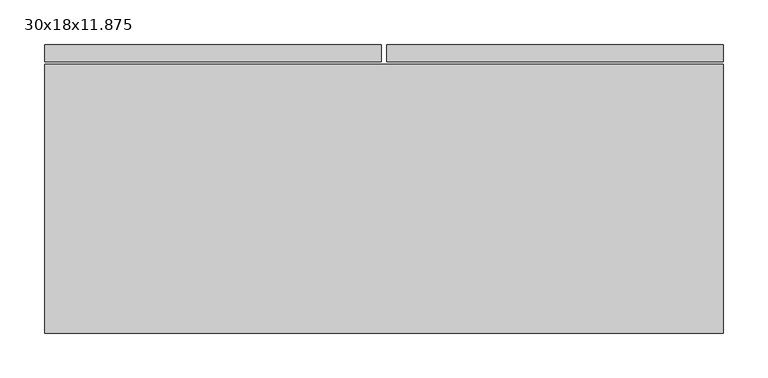
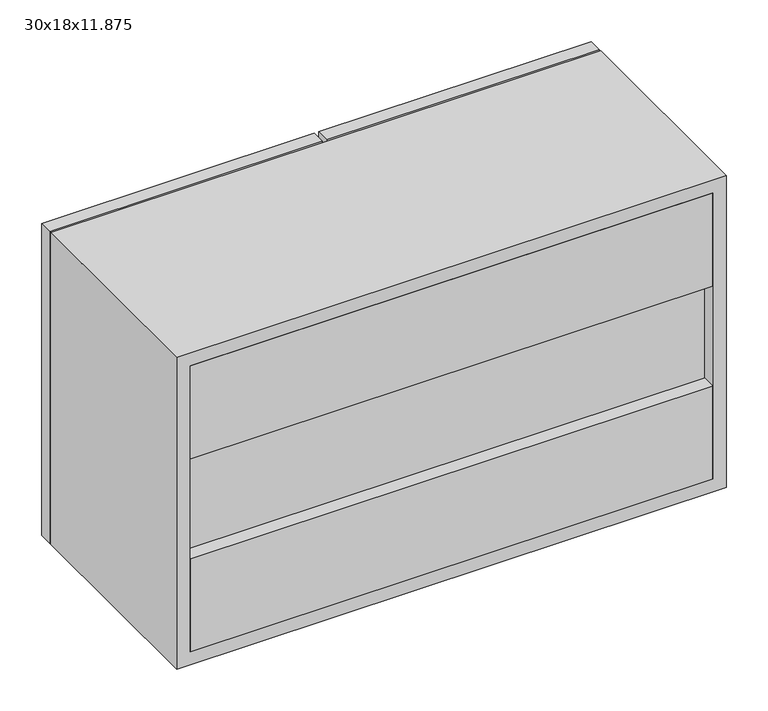
"""IFC4 building model written with IfcOpenShell, lengths in millimetres: furniture geometry, 30x18x11.875."""

from ifc_helpers import new_model, si_unit, frame, origin, place, context, project, spatial, polyline, outline, extrude, faceted_brep, source, transform, mapped, element, save


def furniture_30x18x11_875_c68409bd(model_context):
    return source(origin(), model_context, "Body", "SolidModel", [
        extrude(outline(polyline([(-332.1788372, 101.6), (391.7211628, 101.6), (391.7211628, 82.55), (-332.1788372, 82.55), (-332.1788372, 101.6)])), frame((0.0, 0.0, 1695.45), z_axis=(0.0, 0.0, 1.0), x_axis=(1.0, 0.0, 0.0)), (0.0, 0.0, 1.0), 136.525),
        extrude(outline(polyline([(-332.1788372, 101.6), (391.7211628, 101.6), (391.7211628, 82.55), (-332.1788372, 82.55), (-332.1788372, 101.6)])), frame((0.0, 0.0, 1978.025), z_axis=(0.0, 0.0, 1.0), x_axis=(1.0, 0.0, 0.0)), (0.0, 0.0, 1.0), 136.525),
        faceted_brep([(-351.2288372, 82.55, 2133.6), (-351.2288372, 82.55, 1676.4), (410.7711628, 82.55, 1676.4), (410.7711628, 82.55, 2133.6), (-332.1788372, 82.55, 2114.55), (391.7211628, 82.55, 2114.55), (391.7211628, 82.55, 1695.45), (-332.1788372, 82.55, 1695.45), (-351.2288372, 384.175, 2133.6), (-351.2288372, 384.175, 1676.4), (410.7711628, 384.175, 1676.4), (410.7711628, 384.175, 2133.6), (391.7211628, 101.6, 2114.55), (391.7211628, 101.6, 1695.45), (391.7211628, 384.175, 2114.55), (391.7211628, 384.175, 1695.45), (391.7211628, 107.95, 1695.45), (391.7211628, 107.95, 2114.55), (-332.1788372, 101.6, 1695.45), (-332.1788372, 384.175, 1695.45), (-332.1788372, 107.95, 1695.45), (-332.1788372, 101.6, 2114.55), (-332.1788372, 384.175, 2114.55), (-332.1788372, 107.95, 2114.55)], [[[0, 1, 2, 3], [4, 5, 6, 7]], [[1, 0, 8, 9]], [[2, 1, 9, 10]], [[3, 2, 10, 11]], [[6, 5, 12, 13]], [[14, 15, 16, 17]], [[7, 6, 13, 18]], [[15, 19, 20, 16]], [[4, 7, 18, 21]], [[19, 22, 23, 20]], [[8, 11, 10, 9], [22, 19, 15, 14]], [[12, 21, 18, 13]], [[23, 17, 16, 20]], [[0, 3, 11, 8]], [[5, 4, 21, 12]], [[22, 14, 17, 23]]]),
        extrude(outline(polyline([(-351.2288372, 406.4), (26.5961628, 406.4), (26.5961628, 387.35), (-351.2288372, 387.35), (-351.2288372, 406.4)])), frame((0.0, 0.0, 1676.4), z_axis=(0.0, 0.0, 1.0), x_axis=(1.0, 0.0, 0.0)), (0.0, 0.0, 1.0), 457.2),
        extrude(outline(polyline([(32.9461628, 406.4), (410.7711628, 406.4), (410.7711628, 387.35), (32.9461628, 387.35), (32.9461628, 406.4)])), frame((0.0, 0.0, 1676.4), z_axis=(0.0, 0.0, 1.0), x_axis=(1.0, 0.0, 0.0)), (0.0, 0.0, 1.0), 457.2),
        extrude(outline(polyline([(391.7211628, 107.95), (-332.1788372, 107.95), (-332.1788372, 384.175), (391.7211628, 384.175), (391.7211628, 107.95)])), frame((0.0, 0.0, 1895.475), z_axis=(0.0, 0.0, 1.0), x_axis=(1.0, 0.0, 0.0)), (0.0, 0.0, 1.0), 19.05),
    ])


if __name__ == "__main__":
    model = new_model("IFC4")
    model_context = context("Model", 3, world=origin())
    ifc_project = project(units=[si_unit("LENGTHUNIT", "METRE", prefix="MILLI")], contexts=[model_context])
    site = spatial("IfcSite", under=ifc_project)
    building = spatial("IfcBuilding", under=site)
    placement = place(None, origin())
    furniture_30x18x11_875_shape = furniture_30x18x11_875_c68409bd(model_context)
    element("IfcFurniture", 1, ObjectType="30x18x11.875", at=placement, inside=building, context=model_context, shape_type="MappedRepresentation", body=[
        mapped(furniture_30x18x11_875_shape, transform((0.0, 0.0, 0.0), x_axis=(1.0, 0.0, 0.0), y_axis=(0.0, 1.0, 0.0), z_axis=(0.0, 0.0, 1.0))),
    ])
    save(model, "model.ifc")
